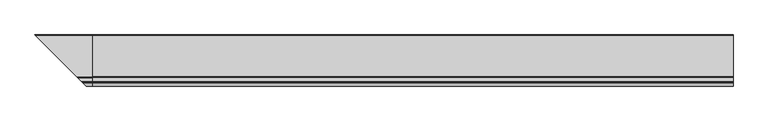
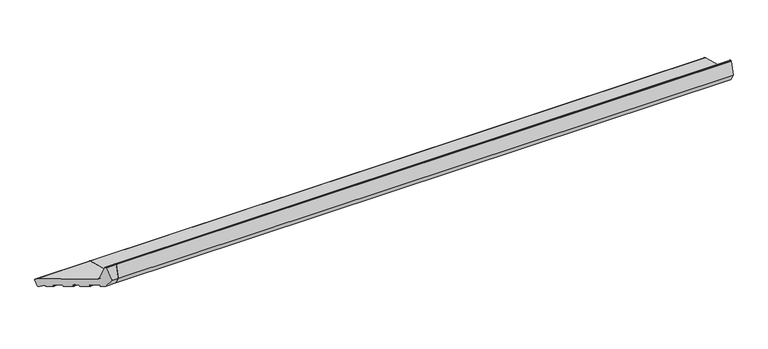
"""IFC4 building model written with IfcOpenShell, lengths in millimetres: proxy geometry."""

from ifc_helpers import new_model, si_unit, point, frame, frame_2d, origin, place, context, project, spatial, polyline, circle_curve, ellipse_curve, trimmed, segment, composite_curve, outline, extrude, source, transform, mapped, element, save
from ifc_brep_helpers import plane_surface, cylinder_surface, revolved_surface, advanced_brep


def generic_models_75941c58(model_context):
    return source(origin(), model_context, "Body", "SolidModel", [
        advanced_brep(
        [(0.0, 24.5646181, 4.2013545), (0.0, 28.2388527, 6.3226748), (0.0, 34.9681479, 31.4367463), (0.0, 32.8468275, 35.1109809), (0.0, -135.7419043, 80.2841955), (0.0, -139.984545, 84.5268362), (0.0, -153.7329958, 135.8367531), (0.0, -155.1818846, 136.9485245), (0.0, -158.1934447, 136.9485245), (0.0, -159.6423334, 135.8367531), (0.0, -174.0, 82.2532119), (0.0, -156.3223305, 51.6345901), (0.0, -142.7993689, 48.0111234), (0.0, -141.574624, 48.7182302), (0.0, -140.5393479, 52.5819335), (0.0, -139.314603, 53.2890403), (0.0, -113.2346057, 46.3009261), (0.0, -112.5274989, 45.0761812), (0.0, -113.5627751, 41.2124779), (0.0, -112.8556683, 39.9877331), (0.0, -87.7415968, 33.2584379), (0.0, -86.5168519, 33.9655447), (0.0, -85.4815758, 37.829248), (0.0, -84.2568309, 38.5363547), (0.0, -68.8020177, 34.39525), (0.0, -68.0949109, 33.1705052), (0.0, -69.1301871, 29.3068018), (0.0, -68.4230803, 28.082057), (0.0, -43.3090088, 21.3527618), (0.0, -42.0842639, 22.0598686), (0.0, -41.0489877, 25.9235719), (0.0, -39.8242429, 26.6306787), (0.0, -13.7442456, 19.6425645), (0.0, -13.0371388, 18.4178196), (0.0, -14.072415, 14.5541163), (0.0, -13.3653082, 13.3293714), (0.0, 4.0213567, 8.6706286), (0.0, 5.2461016, 9.3777354), (0.0, 6.1942921, 12.9164305), (0.0, 7.6810717, 13.5112573), (0.0, 21.6668406, 4.9778116), (-223.5646181, 24.5646181, 4.2013545), (-227.2388527, 28.2388527, 6.3226748), (-233.9681479, 34.9681479, 31.4367463), (-231.8468275, 32.8468275, 35.1109809), (-63.2580957, -135.7419043, 80.2841955), (-59.015455, -139.984545, 84.5268362), (-45.2670042, -153.7329958, 135.8367531), (-43.8181154, -155.1818846, 136.9485245), (-40.8065553, -158.1934447, 136.9485245), (-39.3576666, -159.6423334, 135.8367531), (-25.0, -174.0, 82.2532119), (-42.6776695, -156.3223305, 51.6345901), (-56.2006311, -142.7993689, 48.0111234), (-57.425376, -141.574624, 48.7182302), (-58.4606521, -140.5393479, 52.5819335), (-59.685397, -139.314603, 53.2890403), (-85.7653943, -113.2346057, 46.3009261), (-86.4725011, -112.5274989, 45.0761812), (-85.4372249, -113.5627751, 41.2124779), (-86.1443317, -112.8556683, 39.9877331), (-111.2584032, -87.7415968, 33.2584379), (-112.4831481, -86.5168519, 33.9655447), (-113.5184242, -85.4815758, 37.829248), (-114.7431691, -84.2568309, 38.5363547), (-220.6668406, 21.6668406, 4.9778116), (-130.1979823, -68.8020177, 34.39525), (-129.8698129, -69.1301871, 29.3068018), (-130.5769197, -68.4230803, 28.082057), (-130.9050891, -68.0949109, 33.1705052), (-155.6909912, -43.3090088, 21.3527618), (-156.9157361, -42.0842639, 22.0598686), (-157.9510123, -41.0489877, 25.9235719), (-159.1757571, -39.8242429, 26.6306787), (-185.2557544, -13.7442456, 19.6425645), (-206.6810717, 7.6810717, 13.5112573), (-205.1942921, 6.1942921, 12.9164305), (-204.2461016, 5.2461016, 9.3777354), (-203.0213567, 4.0213567, 8.6706286), (-185.6346918, -13.3653082, 13.3293714), (-184.927585, -14.072415, 14.5541163), (-185.9628612, -13.0371388, 18.4178196)],
        [
            (0, 1, circle_curve(frame((0.0, 25.3410752, 7.099132), z_axis=(1.0, 0.0, 0.0), x_axis=(0.0, 1.0, 0.0)), 3.0)),
            (1, 2),
            (2, 3, circle_curve(frame((0.0, 32.0703704, 32.2132034), z_axis=(1.0, 0.0, 0.0), x_axis=(0.0, 1.0, 0.0)), 3.0)),
            (3, 4),
            (4, 5, circle_curve(frame((0.0, -134.1889901, 86.0797504), z_axis=(-1.0, 0.0, 0.0), x_axis=(0.0, 1.0, 0.0)), 6.0)),
            (5, 6),
            (6, 7, circle_curve(frame((0.0, -155.1818846, 135.4485245), z_axis=(1.0, 0.0, 0.0), x_axis=(0.0, 1.0, 0.0)), 1.5)),
            (7, 8),
            (8, 9, circle_curve(frame((0.0, -158.1934447, 135.4485245), z_axis=(1.0, 0.0, 0.0), x_axis=(0.0, 1.0, 0.0)), 1.5)),
            (9, 10),
            (10, 11),
            (11, 12),
            (12, 13, circle_curve(frame((0.0, -142.5405499, 48.9770493), z_axis=(1.0, 0.0, 0.0), x_axis=(0.0, 1.0, 0.0)), 1.0)),
            (13, 14),
            (14, 15, circle_curve(frame((0.0, -139.573422, 52.3231145), z_axis=(-1.0, 0.0, 0.0), x_axis=(0.0, 1.0, 0.0)), 1.0)),
            (15, 16),
            (16, 17, circle_curve(frame((0.0, -113.4934247, 45.3350003), z_axis=(-1.0, 0.0, 0.0), x_axis=(0.0, 1.0, 0.0)), 1.0)),
            (17, 18),
            (18, 19, circle_curve(frame((0.0, -112.5968492, 40.9536589), z_axis=(1.0, 0.0, 0.0), x_axis=(0.0, 1.0, 0.0)), 1.0)),
            (19, 20),
            (20, 21, circle_curve(frame((0.0, -87.4827778, 34.2243637), z_axis=(1.0, 0.0, 0.0), x_axis=(0.0, 1.0, 0.0)), 1.0)),
            (21, 22),
            (22, 23, circle_curve(frame((0.0, -84.5156499, 37.5704289), z_axis=(-1.0, 0.0, 0.0), x_axis=(0.0, 1.0, 0.0)), 1.0)),
            (23, 24),
            (24, 25, circle_curve(frame((0.0, -69.0608367, 33.4293242), z_axis=(-1.0, 0.0, 0.0), x_axis=(0.0, 1.0, 0.0)), 1.0)),
            (25, 26),
            (26, 27, circle_curve(frame((0.0, -68.1642612, 29.0479828), z_axis=(1.0, 0.0, 0.0), x_axis=(0.0, 1.0, 0.0)), 1.0)),
            (27, 28),
            (28, 29, circle_curve(frame((0.0, -43.0501897, 22.3186876), z_axis=(1.0, 0.0, 0.0), x_axis=(0.0, 1.0, 0.0)), 1.0)),
            (29, 30),
            (30, 31, circle_curve(frame((0.0, -40.0830619, 25.6647528), z_axis=(-1.0, 0.0, 0.0), x_axis=(0.0, 1.0, 0.0)), 1.0)),
            (31, 32),
            (32, 33, circle_curve(frame((0.0, -14.0030646, 18.6766386), z_axis=(-1.0, 0.0, 0.0), x_axis=(0.0, 1.0, 0.0)), 1.0)),
            (33, 34),
            (34, 35, circle_curve(frame((0.0, -13.1064891, 14.2952972), z_axis=(1.0, 0.0, 0.0), x_axis=(0.0, 1.0, 0.0)), 1.0)),
            (35, 36),
            (36, 37, circle_curve(frame((0.0, 4.2801757, 9.6365544), z_axis=(1.0, 0.0, 0.0), x_axis=(0.0, 1.0, 0.0)), 1.0)),
            (37, 38),
            (38, 39, circle_curve(frame((0.0, 7.1602179, 12.6576114), z_axis=(-1.0, 0.0, 0.0), x_axis=(0.0, 1.0, 0.0)), 1.0)),
            (39, 40),
            (40, 0),
            (0, 41),
            (41, 42, ellipse_curve(frame((-224.3410752, 25.3410752, 7.099132), z_axis=(0.707106781186548, 0.7071067811865471, 0.0), x_axis=(-0.707106781186547, 0.707106781186548, 0.0)), 4.2426407, 3.0)),
            (42, 1),
            (42, 43),
            (43, 2),
            (43, 44, ellipse_curve(frame((-231.0703704, 32.0703704, 32.2132034), z_axis=(0.707106781186548, 0.7071067811865471, 0.0), x_axis=(-0.707106781186547, 0.707106781186548, 0.0)), 4.2426407, 3.0)),
            (44, 3),
            (44, 45),
            (45, 4),
            (45, 46, ellipse_curve(frame((-64.8110099, -134.1889901, 86.0797504), z_axis=(-0.707106781186548, -0.7071067811865471, 0.0), x_axis=(0.707106781186547, -0.707106781186548, 0.0)), 8.4852814, 6.0)),
            (46, 5),
            (46, 47),
            (47, 6),
            (47, 48, ellipse_curve(frame((-43.8181154, -155.1818846, 135.4485245), z_axis=(0.707106781186548, 0.7071067811865471, 0.0), x_axis=(-0.707106781186547, 0.707106781186548, 0.0)), 2.1213203, 1.5)),
            (48, 7),
            (48, 49),
            (49, 8),
            (49, 50, ellipse_curve(frame((-40.8065553, -158.1934447, 135.4485245), z_axis=(0.707106781186548, 0.7071067811865471, 0.0), x_axis=(-0.707106781186547, 0.707106781186548, 0.0)), 2.1213203, 1.5)),
            (50, 9),
            (50, 51),
            (51, 10),
            (51, 52),
            (52, 11),
            (52, 53),
            (53, 12),
            (53, 54, ellipse_curve(frame((-56.4594501, -142.5405499, 48.9770493), z_axis=(0.707106781186548, 0.7071067811865471, 0.0), x_axis=(-0.707106781186547, 0.707106781186548, 0.0)), 1.4142136, 1.0)),
            (54, 13),
            (54, 55),
            (55, 14),
            (55, 56, ellipse_curve(frame((-59.426578, -139.573422, 52.3231145), z_axis=(-0.707106781186548, -0.7071067811865471, 0.0), x_axis=(0.707106781186547, -0.707106781186548, 0.0)), 1.4142136, 1.0)),
            (56, 15),
            (56, 57),
            (57, 16),
            (57, 58, ellipse_curve(frame((-85.5065753, -113.4934247, 45.3350003), z_axis=(-0.707106781186548, -0.7071067811865471, 0.0), x_axis=(0.707106781186547, -0.707106781186548, 0.0)), 1.4142136, 1.0)),
            (58, 17),
            (58, 59),
            (59, 18),
            (59, 60, ellipse_curve(frame((-86.4031508, -112.5968492, 40.9536589), z_axis=(0.707106781186548, 0.7071067811865471, 0.0), x_axis=(-0.707106781186547, 0.707106781186548, 0.0)), 1.4142136, 1.0)),
            (60, 19),
            (60, 61),
            (61, 20),
            (61, 62, ellipse_curve(frame((-111.5172222, -87.4827778, 34.2243637), z_axis=(0.707106781186548, 0.7071067811865471, 0.0), x_axis=(-0.707106781186547, 0.707106781186548, 0.0)), 1.4142136, 1.0)),
            (62, 21),
            (62, 63),
            (63, 22),
            (63, 64, ellipse_curve(frame((-114.4843501, -84.5156499, 37.5704289), z_axis=(-0.707106781186548, -0.7071067811865471, 0.0), x_axis=(0.707106781186547, -0.707106781186548, 0.0)), 1.4142136, 1.0)),
            (64, 23),
            (40, 65),
            (65, 41),
            (64, 66),
            (66, 24),
            (26, 67),
            (67, 68, ellipse_curve(frame((-130.8357388, -68.1642612, 29.0479828), z_axis=(0.707106781186548, 0.7071067811865471, 0.0), x_axis=(-0.707106781186547, 0.707106781186548, 0.0)), 1.4142136, 1.0)),
            (68, 27),
            (25, 69),
            (69, 67),
            (66, 69, ellipse_curve(frame((-129.9391633, -69.0608367, 33.4293242), z_axis=(-0.707106781186548, -0.7071067811865471, 0.0), x_axis=(0.707106781186547, -0.707106781186548, 0.0)), 1.4142136, 1.0)),
            (68, 70),
            (70, 28),
            (70, 71, ellipse_curve(frame((-155.9498103, -43.0501897, 22.3186876), z_axis=(0.707106781186548, 0.7071067811865471, 0.0), x_axis=(-0.707106781186547, 0.707106781186548, 0.0)), 1.4142136, 1.0)),
            (71, 29),
            (71, 72),
            (72, 30),
            (72, 73, ellipse_curve(frame((-158.9169381, -40.0830619, 25.6647528), z_axis=(-0.707106781186548, -0.7071067811865471, 0.0), x_axis=(0.707106781186547, -0.707106781186548, 0.0)), 1.4142136, 1.0)),
            (73, 31),
            (73, 74),
            (74, 32),
            (65, 75),
            (75, 76, ellipse_curve(frame((-206.1602179, 7.1602179, 12.6576114), z_axis=(0.707106781186548, 0.7071067811865471, 0.0), x_axis=(0.707106781186547, -0.707106781186548, 0.0)), 1.4142136, 1.0)),
            (76, 77),
            (77, 78, ellipse_curve(frame((-203.2801757, 4.2801757, 9.6365544), z_axis=(-0.707106781186548, -0.7071067811865471, 0.0), x_axis=(-0.707106781186547, 0.707106781186548, 0.0)), 1.4142136, 1.0)),
            (78, 79),
            (79, 80, ellipse_curve(frame((-185.8935109, -13.1064891, 14.2952972), z_axis=(-0.707106781186548, -0.7071067811865471, 0.0), x_axis=(-0.707106781186547, 0.707106781186548, 0.0)), 1.4142136, 1.0)),
            (80, 81),
            (81, 74, ellipse_curve(frame((-184.9969354, -14.0030646, 18.6766386), z_axis=(0.707106781186548, 0.7071067811865471, 0.0), x_axis=(0.707106781186547, -0.707106781186548, 0.0)), 1.4142136, 1.0)),
            (39, 75),
            (38, 76),
            (37, 77),
            (36, 78),
            (35, 79),
            (34, 80),
            (33, 81),
        ],
        [
            plane_surface(frame((0.0, 0.0, 0.0), z_axis=(1.0, 0.0, 0.0), x_axis=(0.0, 0.0, 1.0))),
            cylinder_surface(frame((-234.3741644, 25.3410752, 7.099132), z_axis=(-1.0, 0.0, 0.0), x_axis=(0.0, 1.0, 0.0)), 3.0),
            plane_surface(frame((-234.3741644, 34.9681479, 31.4367463), z_axis=(0.0, 0.9659258262890685, -0.25881904510252035), x_axis=(1.0, 0.0, 0.0))),
            cylinder_surface(frame((-234.3741644, 32.0703704, 32.2132034), z_axis=(-1.0, 0.0, 0.0), x_axis=(0.0, 1.0, 0.0)), 3.0),
            plane_surface(frame((-234.3741644, -135.7419043, 80.2841955), z_axis=(0.0, 0.2588190451025208, 0.9659258262890684), x_axis=(1.0, 0.0, 0.0))),
            revolved_surface(polyline([(0.0, -128.1889901, 86.0797504), (-70.81100991821609, -128.1889901, 86.0797504)]), (-234.3741644, -134.1889901, 86.0797504), (1.0, 0.0, 0.0)),
            plane_surface(frame((-234.3741644, -153.7329958, 135.8367531), z_axis=(0.0, 0.9659258262890665, 0.2588190451025272), x_axis=(1.0, 0.0, 0.0))),
            cylinder_surface(frame((-234.3741644, -155.1818846, 135.4485245), z_axis=(-1.0, 0.0, 0.0), x_axis=(0.0, 1.0, 0.0)), 1.5),
            plane_surface(frame((-234.3741644, -158.1934447, 136.9485245), z_axis=(0.0, 0.0, 1.0), x_axis=(1.0, 0.0, 0.0))),
            cylinder_surface(frame((-234.3741644, -158.1934447, 135.4485245), z_axis=(-1.0, 0.0, 0.0), x_axis=(0.0, 1.0, 0.0)), 1.5),
            plane_surface(frame((-234.3741644, -174.0, 82.2532119), z_axis=(0.0, -0.9659258262890684, 0.25881904510252035), x_axis=(1.0, 0.0, 0.0))),
            plane_surface(frame((-234.3741644, -156.3223305, 51.6345901), z_axis=(0.0, -0.8660254037844376, -0.5000000000000019), x_axis=(1.0, 0.0, 0.0))),
            plane_surface(frame((-234.3741644, -142.7993689, 48.0111234), z_axis=(0.0, -0.258819045102519, -0.9659258262890688), x_axis=(1.0, 0.0, 0.0))),
            cylinder_surface(frame((-234.3741644, -142.5405499, 48.9770493), z_axis=(-1.0, 0.0, 0.0), x_axis=(0.0, 1.0, 0.0)), 1.0),
            plane_surface(frame((-234.3741644, -140.5393479, 52.5819335), z_axis=(0.0, 0.9659258262890676, -0.25881904510252307), x_axis=(1.0, 0.0, 0.0))),
            revolved_surface(polyline([(0.0, -138.573422, 52.3231145), (-60.42657802660625, -138.573422, 52.3231145)]), (-234.3741644, -139.573422, 52.3231145), (1.0, 0.0, 0.0)),
            plane_surface(frame((-234.3741644, -113.2346057, 46.3009261), z_axis=(0.0, -0.2588190451025203, -0.9659258262890684), x_axis=(1.0, 0.0, 0.0))),
            revolved_surface(polyline([(0.0, -112.4934247, 45.3350003), (-86.50657532660622, -112.4934247, 45.3350003)]), (-234.3741644, -113.4934247, 45.3350003), (1.0, 0.0, 0.0)),
            plane_surface(frame((-234.3741644, -113.5627751, 41.2124779), z_axis=(0.0, -0.9659258262890592, 0.25881904510255466), x_axis=(1.0, 0.0, 0.0))),
            cylinder_surface(frame((-234.3741644, -112.5968492, 40.9536589), z_axis=(-1.0, 0.0, 0.0), x_axis=(0.0, 1.0, 0.0)), 1.0),
            plane_surface(frame((-234.3741644, -87.7415968, 33.2584379), z_axis=(0.0, -0.25881904510252035, -0.9659258262890685), x_axis=(1.0, 0.0, 0.0))),
            cylinder_surface(frame((-234.3741644, -87.4827778, 34.2243637), z_axis=(-1.0, 0.0, 0.0), x_axis=(0.0, 1.0, 0.0)), 1.0),
            plane_surface(frame((-234.3741644, -85.4815758, 37.829248), z_axis=(0.0, 0.9659258262890762, -0.25881904510249154), x_axis=(1.0, 0.0, 0.0))),
            revolved_surface(polyline([(0.0, -83.5156499, 37.5704289), (-115.48435012660624, -83.5156499, 37.5704289)]), (-234.3741644, -84.5156499, 37.5704289), (1.0, 0.0, 0.0)),
            plane_surface(frame((-234.3741644, 24.5646181, 4.2013545), z_axis=(0.0, -0.25881904510252896, -0.9659258262890661), x_axis=(1.0, 0.0, 0.0))),
            plane_surface(frame((-234.3741644, -68.8020177, 34.39525), z_axis=(0.0, -0.2588190451025202, -0.9659258262890685), x_axis=(1.0, 0.0, 0.0))),
            cylinder_surface(frame((-234.3741644, -68.1642612, 29.0479828), z_axis=(-1.0, 0.0, 0.0), x_axis=(0.0, 1.0, 0.0)), 1.0),
            plane_surface(frame((-234.3741644, -69.1301871, 29.3068018), z_axis=(0.0, -0.9659258262890762, 0.25881904510249154), x_axis=(1.0, 0.0, 0.0))),
            revolved_surface(polyline([(0.0, -68.0608367, 33.4293242), (-130.93916332660623, -68.0608367, 33.4293242)]), (-234.3741644, -69.0608367, 33.4293242), (1.0, 0.0, 0.0)),
            plane_surface(frame((-234.3741644, -43.3090088, 21.3527618), z_axis=(0.0, -0.25881904510252096, -0.9659258262890683), x_axis=(1.0, 0.0, 0.0))),
            cylinder_surface(frame((-234.3741644, -43.0501897, 22.3186876), z_axis=(-1.0, 0.0, 0.0), x_axis=(0.0, 1.0, 0.0)), 1.0),
            plane_surface(frame((-234.3741644, -41.0489877, 25.9235719), z_axis=(0.0, 0.9659258262890676, -0.25881904510252307), x_axis=(1.0, 0.0, 0.0))),
            revolved_surface(polyline([(0.0, -39.0830619, 25.6647528), (-159.91693812660625, -39.0830619, 25.6647528)]), (-234.3741644, -40.0830619, 25.6647528), (1.0, 0.0, 0.0)),
            plane_surface(frame((-234.3741644, -13.7442456, 19.6425645), z_axis=(0.0, -0.2588190451025203, -0.9659258262890684), x_axis=(1.0, 0.0, 0.0))),
            plane_surface(frame((-180.2045815, -18.7954185, 0.0), z_axis=(-0.707106781186548, -0.7071067811865471, 0.0), x_axis=(0.0, 0.0, 1.0))),
            plane_surface(frame((-234.3741644, 21.6668406, 4.9778116), z_axis=(0.0, -0.5208538026734657, -0.8536458962828736), x_axis=(1.0, 0.0, 0.0))),
            revolved_surface(polyline([(0.0, 8.1602179, 12.6576114), (-207.16021792660624, 8.1602179, 12.6576114)]), (-234.3741644, 7.1602179, 12.6576114), (1.0, 0.0, 0.0)),
            plane_surface(frame((-234.3741644, 6.1942921, 12.9164305), z_axis=(0.0, 0.9659258262890675, -0.2588190451025239), x_axis=(1.0, 0.0, 0.0))),
            cylinder_surface(frame((-234.3741644, 4.2801757, 9.6365544), z_axis=(-1.0, 0.0, 0.0), x_axis=(0.0, 1.0, 0.0)), 1.0),
            plane_surface(frame((-234.3741644, 4.0213567, 8.6706286), z_axis=(0.0, -0.2588190451025209, -0.9659258262890683), x_axis=(1.0, 0.0, 0.0))),
            cylinder_surface(frame((-234.3741644, -13.1064891, 14.2952972), z_axis=(-1.0, 0.0, 0.0), x_axis=(0.0, 1.0, 0.0)), 1.0),
            plane_surface(frame((-234.3741644, -14.072415, 14.5541163), z_axis=(0.0, -0.9659258262890759, 0.2588190451024926), x_axis=(1.0, 0.0, 0.0))),
            revolved_surface(polyline([(0.0, -13.0030646, 18.6766386), (-185.99693542660626, -13.0030646, 18.6766386)]), (-234.3741644, -14.0030646, 18.6766386), (1.0, 0.0, 0.0)),
        ],
        [
            (0, [[1, 2, 3, 4, 5, 6, 7, 8, 9, 10, 11, 12, 13, 14, 15, 16, 17, 18, 19, 20, 21, 22, 23, 24, 25, 26, 27, 28, 29, 30, 31, 32, 33, 34, 35, 36, 37, 38, 39, 40, 41]]),
            (1, [[-1, 42, 43, 44]]),
            (2, [[-2, -44, 45, 46]]),
            (3, [[-3, -46, 47, 48]]),
            (4, [[-4, -48, 49, 50]]),
            (5, [[-5, -50, 51, 52]]),
            (6, [[-6, -52, 53, 54]]),
            (7, [[-7, -54, 55, 56]]),
            (8, [[-8, -56, 57, 58]]),
            (9, [[-9, -58, 59, 60]]),
            (10, [[-10, -60, 61, 62]]),
            (11, [[-11, -62, 63, 64]]),
            (12, [[-12, -64, 65, 66]]),
            (13, [[-13, -66, 67, 68]]),
            (14, [[-14, -68, 69, 70]]),
            (15, [[-15, -70, 71, 72]]),
            (16, [[-16, -72, 73, 74]]),
            (17, [[-17, -74, 75, 76]]),
            (18, [[-18, -76, 77, 78]]),
            (19, [[-19, -78, 79, 80]]),
            (20, [[-20, -80, 81, 82]]),
            (21, [[-21, -82, 83, 84]]),
            (22, [[-22, -84, 85, 86]]),
            (23, [[-23, -86, 87, 88]]),
            (24, [[-41, 89, 90, -42]]),
            (25, [[-24, -88, 91, 92]]),
            (26, [[-27, 93, 94, 95]]),
            (27, [[-26, 96, 97, -93]]),
            (28, [[-25, -92, 98, -96]]),
            (29, [[-28, -95, 99, 100]]),
            (30, [[-29, -100, 101, 102]]),
            (31, [[-30, -102, 103, 104]]),
            (32, [[-31, -104, 105, 106]]),
            (33, [[-32, -106, 107, 108]]),
            (34, [[-43, -90, 109, 110, 111, 112, 113, 114, 115, 116, -107, -105, -103, -101, -99, -94, -97, -98, -91, -87, -85, -83, -81, -79, -77, -75, -73, -71, -69, -67, -65, -63, -61, -59, -57, -55, -53, -51, -49, -47, -45]]),
            (35, [[-40, 117, -109, -89]]),
            (36, [[-39, 118, -110, -117]]),
            (37, [[-38, 119, -111, -118]]),
            (38, [[-37, 120, -112, -119]]),
            (39, [[-36, 121, -113, -120]]),
            (40, [[-35, 122, -114, -121]]),
            (41, [[-34, 123, -115, -122]]),
            (42, [[-33, -108, -116, -123]]),
        ],
    ),
        extrude(outline(composite_curve([segment(polyline([(24.5646181, 4.2013545), (21.6668406, 4.9778116), (7.6810717, 13.5112573)]), True, "CONTINUOUS"), segment(trimmed(circle_curve(frame_2d((7.1602179, 12.6576114)), 1.0), [point((7.6810717, 13.5112573))], [point((6.1942921, 12.9164305))], True, "CARTESIAN"), True, "CONTINUOUS"), segment(polyline([(6.1942921, 12.9164305), (5.2461016, 9.3777354)]), True, "CONTINUOUS"), segment(trimmed(circle_curve(frame_2d((4.2801757, 9.6365544)), 1.0), [point((5.2461016, 9.3777354))], [point((4.0213567, 8.6706286))], False, "CARTESIAN"), True, "CONTINUOUS"), segment(polyline([(4.0213567, 8.6706286), (-13.3653082, 13.3293714)]), True, "CONTINUOUS"), segment(trimmed(circle_curve(frame_2d((-13.1064891, 14.2952972)), 1.0), [point((-13.3653082, 13.3293714))], [point((-14.072415, 14.5541163))], False, "CARTESIAN"), True, "CONTINUOUS"), segment(polyline([(-14.072415, 14.5541163), (-13.0371388, 18.4178196)]), True, "CONTINUOUS"), segment(trimmed(circle_curve(frame_2d((-14.0030646, 18.6766386)), 1.0), [point((-13.0371388, 18.4178196))], [point((-13.7442456, 19.6425645))], True, "CARTESIAN"), True, "CONTINUOUS"), segment(polyline([(-13.7442456, 19.6425645), (-39.8242429, 26.6306787)]), True, "CONTINUOUS"), segment(trimmed(circle_curve(frame_2d((-40.0830619, 25.6647528)), 1.0), [point((-39.8242429, 26.6306787))], [point((-41.0489877, 25.9235719))], True, "CARTESIAN"), True, "CONTINUOUS"), segment(polyline([(-41.0489877, 25.9235719), (-42.0842639, 22.0598686)]), True, "CONTINUOUS"), segment(trimmed(circle_curve(frame_2d((-43.0501897, 22.3186876)), 1.0), [point((-42.0842639, 22.0598686))], [point((-43.3090088, 21.3527618))], False, "CARTESIAN"), True, "CONTINUOUS"), segment(polyline([(-43.3090088, 21.3527618), (-68.4230803, 28.082057)]), True, "CONTINUOUS"), segment(trimmed(circle_curve(frame_2d((-68.1642612, 29.0479828)), 1.0), [point((-68.4230803, 28.082057))], [point((-69.1301871, 29.3068018))], False, "CARTESIAN"), True, "CONTINUOUS"), segment(polyline([(-69.1301871, 29.3068018), (-68.0949109, 33.1705052)]), True, "CONTINUOUS"), segment(trimmed(circle_curve(frame_2d((-69.0608367, 33.4293242)), 1.0), [point((-68.0949109, 33.1705052))], [point((-68.8020177, 34.39525))], True, "CARTESIAN"), True, "CONTINUOUS"), segment(polyline([(-68.8020177, 34.39525), (-84.2568309, 38.5363547)]), True, "CONTINUOUS"), segment(trimmed(circle_curve(frame_2d((-84.5156499, 37.5704289)), 1.0), [point((-84.2568309, 38.5363547))], [point((-85.4815758, 37.829248))], True, "CARTESIAN"), True, "CONTINUOUS"), segment(polyline([(-85.4815758, 37.829248), (-86.5168519, 33.9655447)]), True, "CONTINUOUS"), segment(trimmed(circle_curve(frame_2d((-87.4827778, 34.2243637)), 1.0), [point((-86.5168519, 33.9655447))], [point((-87.7415968, 33.2584379))], False, "CARTESIAN"), True, "CONTINUOUS"), segment(polyline([(-87.7415968, 33.2584379), (-112.8556683, 39.9877331)]), True, "CONTINUOUS"), segment(trimmed(circle_curve(frame_2d((-112.5968492, 40.9536589)), 1.0), [point((-112.8556683, 39.9877331))], [point((-113.5627751, 41.2124779))], False, "CARTESIAN"), True, "CONTINUOUS"), segment(polyline([(-113.5627751, 41.2124779), (-112.5274989, 45.0761812)]), True, "CONTINUOUS"), segment(trimmed(circle_curve(frame_2d((-113.4934247, 45.3350003)), 1.0), [point((-112.5274989, 45.0761812))], [point((-113.2346057, 46.3009261))], True, "CARTESIAN"), True, "CONTINUOUS"), segment(polyline([(-113.2346057, 46.3009261), (-139.314603, 53.2890403)]), True, "CONTINUOUS"), segment(trimmed(circle_curve(frame_2d((-139.573422, 52.3231145)), 1.0), [point((-139.314603, 53.2890403))], [point((-140.5393479, 52.5819335))], True, "CARTESIAN"), True, "CONTINUOUS"), segment(polyline([(-140.5393479, 52.5819335), (-141.574624, 48.7182302)]), True, "CONTINUOUS"), segment(trimmed(circle_curve(frame_2d((-142.5405499, 48.9770493)), 1.0), [point((-141.574624, 48.7182302))], [point((-142.7993689, 48.0111234))], False, "CARTESIAN"), True, "CONTINUOUS"), segment(polyline([(-142.7993689, 48.0111234), (-156.3223305, 51.6345901), (-174.0, 82.2532119), (-159.6423334, 135.8367531)]), True, "CONTINUOUS"), segment(trimmed(circle_curve(frame_2d((-158.1934447, 135.4485245)), 1.5), [point((-159.6423334, 135.8367531))], [point((-158.1934447, 136.9485245))], False, "CARTESIAN"), True, "CONTINUOUS"), segment(polyline([(-158.1934447, 136.9485245), (-155.1818846, 136.9485245)]), True, "CONTINUOUS"), segment(trimmed(circle_curve(frame_2d((-155.1818846, 135.4485245)), 1.5), [point((-155.1818846, 136.9485245))], [point((-153.7329958, 135.8367531))], False, "CARTESIAN"), True, "CONTINUOUS"), segment(polyline([(-153.7329958, 135.8367531), (-139.984545, 84.5268362)]), True, "CONTINUOUS"), segment(trimmed(circle_curve(frame_2d((-134.1889901, 86.0797504)), 6.0), [point((-139.984545, 84.5268362))], [point((-135.7419043, 80.2841955))], True, "CARTESIAN"), True, "CONTINUOUS"), segment(polyline([(-135.7419043, 80.2841955), (32.8468275, 35.1109809)]), True, "CONTINUOUS"), segment(trimmed(circle_curve(frame_2d((32.0703704, 32.2132034)), 3.0), [point((32.8468275, 35.1109809))], [point((34.9681479, 31.4367463))], False, "CARTESIAN"), True, "CONTINUOUS"), segment(polyline([(34.9681479, 31.4367463), (28.2388527, 6.3226748)]), True, "CONTINUOUS"), segment(trimmed(circle_curve(frame_2d((25.3410752, 7.099132)), 3.0), [point((28.2388527, 6.3226748))], [point((24.5646181, 4.2013545))], False, "CARTESIAN"), True, "CONTINUOUS")], self_intersect=False)), frame((0.0, 0.0, 0.0), z_axis=(1.0, 0.0, 0.0), x_axis=(0.0, 1.0, 0.0)), (0.0, 0.0, 1.0), 2620.0),
    ])


if __name__ == "__main__":
    model = new_model("IFC4")
    model_context = context("Model", 3, world=origin())
    ifc_project = project(units=[si_unit("LENGTHUNIT", "METRE", prefix="MILLI")], contexts=[model_context])
    site = spatial("IfcSite", under=ifc_project)
    building = spatial("IfcBuilding", under=site)
    placement = place(None, origin())
    generic_models_shape = generic_models_75941c58(model_context)
    element("IfcBuildingElementProxy", 1, Name="Generic Models", at=placement, inside=building, context=model_context, shape_type="MappedRepresentation", body=[
        mapped(generic_models_shape, transform((0.0, 0.0, 0.0), x_axis=(1.0, 0.0, 0.0), y_axis=(0.0, 1.0, 0.0), z_axis=(0.0, 0.0, 1.0))),
    ])
    save(model, "model.ifc")
